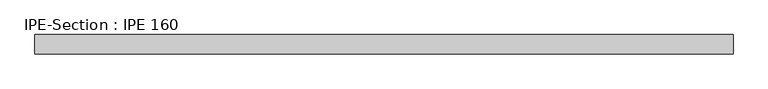
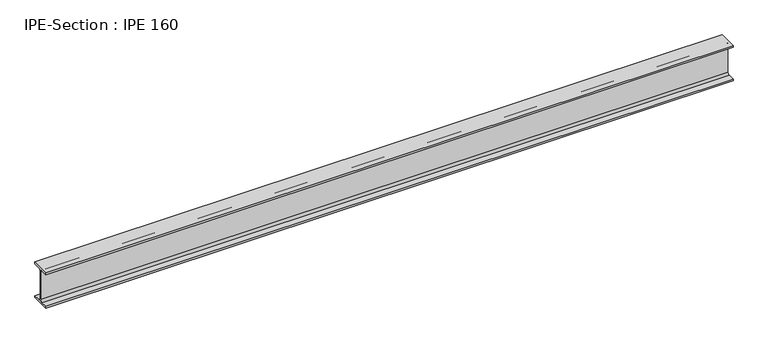
"""IFC4 building model written with IfcOpenShell, lengths in millimetres: beam geometry, IPE-Section : IPE 160."""

from ifc_helpers import new_model, si_unit, point, frame, frame_2d, origin, place, context, project, spatial, polyline, circle_curve, trimmed, segment, composite_curve, outline, extrude, source, transform, mapped, element, save


def ipe_section_ipe_160_e44387d7(model_context):
    return source(origin(), model_context, "Body", "SweptSolid", [
        extrude(outline(composite_curve([segment(polyline([(41.0, -72.6), (41.0, -80.0), (-41.0, -80.0), (-41.0, -72.6), (-11.5, -72.6)]), True, "CONTINUOUS"), segment(trimmed(circle_curve(frame_2d((-11.5, -63.6)), 9.0), [point((-11.5, -72.6))], [point((-2.5, -63.6))], True, "CARTESIAN"), True, "CONTINUOUS"), segment(polyline([(-2.5, -63.6), (-2.5, 63.6)]), True, "CONTINUOUS"), segment(trimmed(circle_curve(frame_2d((-11.5, 63.6)), 9.0), [point((-2.5, 63.6))], [point((-11.5, 72.6))], True, "CARTESIAN"), True, "CONTINUOUS"), segment(polyline([(-11.5, 72.6), (-41.0, 72.6), (-41.0, 80.0), (41.0, 80.0), (41.0, 72.6), (11.5, 72.6)]), True, "CONTINUOUS"), segment(trimmed(circle_curve(frame_2d((11.5, 63.6)), 9.0), [point((11.5, 72.6))], [point((2.5, 63.6))], True, "CARTESIAN"), True, "CONTINUOUS"), segment(polyline([(2.5, 63.6), (2.5, -63.6)]), True, "CONTINUOUS"), segment(trimmed(circle_curve(frame_2d((11.5, -63.6)), 9.0), [point((2.5, -63.6))], [point((11.5, -72.6))], True, "CARTESIAN"), True, "CONTINUOUS"), segment(polyline([(11.5, -72.6), (41.0, -72.6)]), True, "CONTINUOUS")], self_intersect=False)), frame((-1489.5130118, 0.0, 0.0), z_axis=(1.0, 0.0, 0.0), x_axis=(0.0, 1.0, 0.0)), (0.0, 0.0, 1.0), 2957.8217329),
    ])


if __name__ == "__main__":
    model = new_model("IFC4")
    model_context = context("Model", 3, world=origin())
    ifc_project = project(units=[si_unit("LENGTHUNIT", "METRE", prefix="MILLI")], contexts=[model_context])
    site = spatial("IfcSite", under=ifc_project)
    building = spatial("IfcBuilding", under=site)
    placement = place(None, origin())
    ipe_section_ipe_160_shape = ipe_section_ipe_160_e44387d7(model_context)
    element("IfcBeam", 1, ObjectType="IPE-Section : IPE 160", at=placement, inside=building, context=model_context, shape_type="MappedRepresentation", body=[
        mapped(ipe_section_ipe_160_shape, transform((0.0, 0.0, 0.0), x_axis=(1.0, 0.0, 0.0), y_axis=(0.0, 1.0, 0.0), z_axis=(0.0, 0.0, 1.0))),
    ])
    save(model, "model.ifc")
